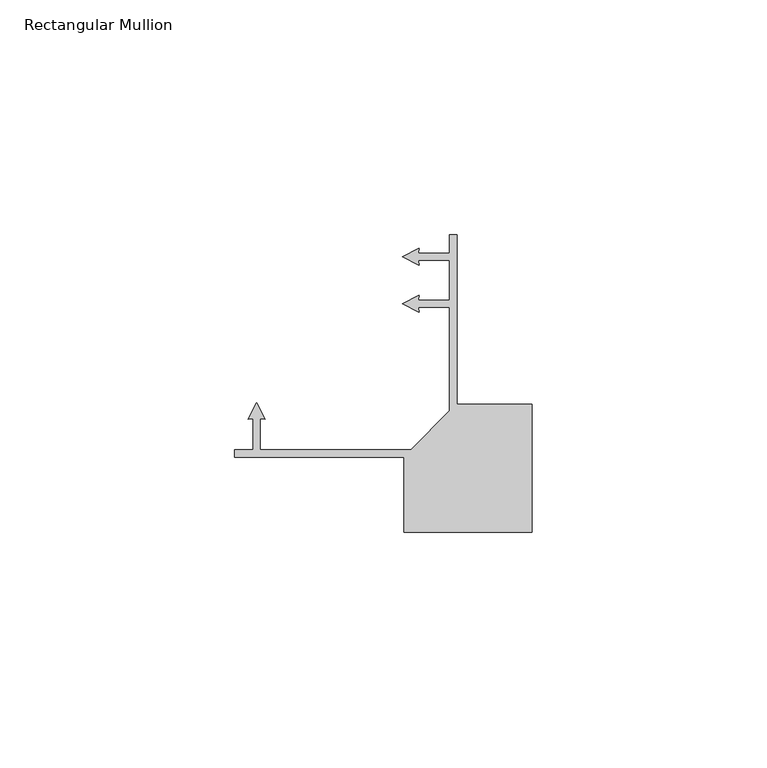
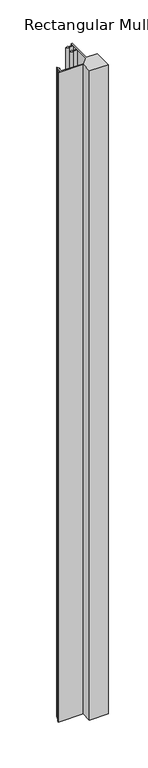
"""IFC4 building model written with IfcOpenShell, lengths in millimetres: member geometry, Rectangular Mullion."""

from ifc_helpers import new_model, si_unit, frame, origin, place, context, project, spatial, polyline, outline, extrude, source, transform, mapped, element, save


def rectangular_mullion_94857191(model_context):
    return source(origin(), model_context, "Body", "SweptSolid", [
        extrude(outline(polyline([(-27.25, -36.2101973), (-63.25, -36.2101973), (-63.25, -34.7101973), (-59.3141639, -34.7101973), (-59.3141639, -28.1130125), (-60.4298939, -28.2106263), (-58.6141573, -24.6470388), (-56.7984207, -28.2106263), (-57.9141638, -28.1130114), (-57.9141638, -34.7101973), (-25.7494136, -34.7101973), (-17.5000001, -26.3771586), (-17.5000001, -4.2957531), (-24.0971848, -4.2957531), (-23.9995711, -5.4114831), (-27.5631585, -3.5957465), (-23.9995711, -1.7800099), (-24.097186, -2.8957529), (-17.5, -2.8957529), (-17.5, 5.704246), (-24.0971848, 5.704246), (-23.9995711, 4.5885161), (-27.5631585, 6.4042526), (-23.9995711, 8.2199892), (-24.097186, 7.1042462), (-17.5, 7.1042462), (-17.5, 11.04), (-16.0, 11.04), (-16.0, -24.96), (0.0, -24.96), (0.0, -52.2101973), (-27.25, -52.2101973), (-27.25, -36.2101973)])), frame((0.0, 0.0, -1000.0), z_axis=(0.0, 0.0, 1.0), x_axis=(1.0, 0.0, 0.0)), (0.0, 0.0, 1.0), 1000.0),
    ])


if __name__ == "__main__":
    model = new_model("IFC4")
    model_context = context("Model", 3, world=origin())
    ifc_project = project(units=[si_unit("LENGTHUNIT", "METRE", prefix="MILLI")], contexts=[model_context])
    site = spatial("IfcSite", under=ifc_project)
    building = spatial("IfcBuilding", under=site)
    placement = place(None, origin())
    rectangular_mullion_shape = rectangular_mullion_94857191(model_context)
    element("IfcMember", 1, ObjectType="Rectangular Mullion", at=placement, inside=building, context=model_context, shape_type="MappedRepresentation", body=[
        mapped(rectangular_mullion_shape, transform((0.0, 0.0, 0.0), x_axis=(1.0, 0.0, 0.0), y_axis=(0.0, 1.0, 0.0), z_axis=(0.0, 0.0, 1.0))),
    ])
    save(model, "model.ifc")
